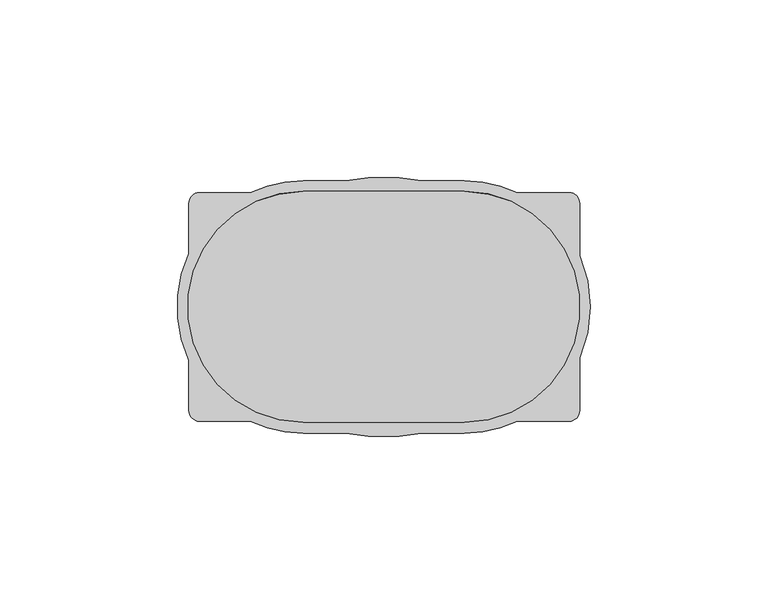
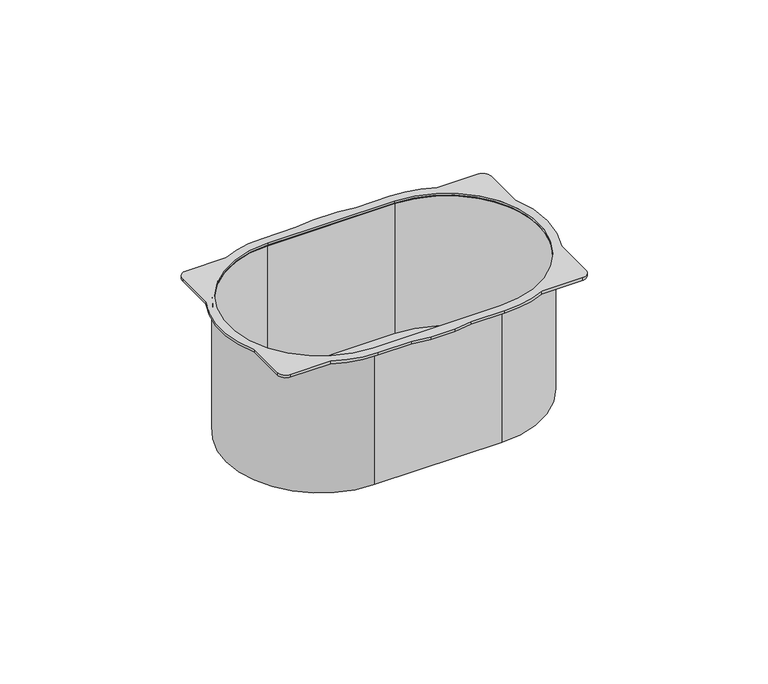
"""IFC4 building model written with IfcOpenShell, lengths in millimetres: proxy geometry."""

from ifc_helpers import new_model, si_unit, point, frame, frame_2d, origin, origin_with_axes, place, context, project, spatial, polyline, circle_curve, trimmed, segment, composite_curve, outline, extrude, source, transform, mapped, element, save


def electrical_fixtures_48d2f998(model_context):
    return source(origin(), model_context, "Body", "SweptSolid", [
        extrude(outline(composite_curve([segment(polyline([(-22.8125, 32.5), (22.5286864, 32.5)]), True, "CONTINUOUS"), segment(trimmed(circle_curve(frame_2d((22.5286864, 0.0)), 32.5), [point((22.5286864, 32.5))], [point((22.5286864, -32.5))], False, "CARTESIAN"), True, "CONTINUOUS"), segment(polyline([(22.5286864, -32.5), (-22.8125, -32.5)]), True, "CONTINUOUS"), segment(trimmed(circle_curve(frame_2d((-22.8125, 0.0)), 32.5), [point((-22.8125, -32.5))], [point((-22.8125, 32.5))], False, "CARTESIAN"), True, "CONTINUOUS")], self_intersect=False)), frame((0.0, 0.0, -50.0), z_axis=(0.0, 0.0, 1.0), x_axis=(1.0, 0.0, 0.0)), (0.0, 0.0, 1.0), 1.0),
        extrude(outline(composite_curve([segment(polyline([(-22.8125, 33.5), (22.5286864, 33.5)]), True, "CONTINUOUS"), segment(trimmed(circle_curve(frame_2d((22.5286864, 0.0)), 33.5), [point((22.5286864, 33.5))], [point((22.5286864, -33.5))], False, "CARTESIAN"), True, "CONTINUOUS"), segment(polyline([(22.5286864, -33.5), (-22.8125, -33.5)]), True, "CONTINUOUS"), segment(trimmed(circle_curve(frame_2d((-22.8125, 0.0)), 33.5), [point((-22.8125, -33.5))], [point((-22.8125, 33.5))], False, "CARTESIAN"), True, "CONTINUOUS")], self_intersect=False), holes=[composite_curve([segment(trimmed(circle_curve(frame_2d((-22.8125, 0.0)), 32.5), [point((-22.8125, 32.5))], [point((-22.8125, -32.5))], True, "CARTESIAN"), True, "CONTINUOUS"), segment(polyline([(-22.8125, -32.5), (22.5286864, -32.5)]), True, "CONTINUOUS"), segment(trimmed(circle_curve(frame_2d((22.5286864, 0.0)), 32.5), [point((22.5286864, -32.5))], [point((22.5286864, 32.5))], True, "CARTESIAN"), True, "CONTINUOUS"), segment(polyline([(22.5286864, 32.5), (-22.8125, 32.5)]), True, "CONTINUOUS")], self_intersect=False)]), frame((0.0, 0.0, -50.0), z_axis=(0.0, 0.0, 1.0), x_axis=(1.0, 0.0, 0.0)), (0.0, 0.0, 1.0), 50.0),
        extrude(outline(composite_curve([segment(polyline([(55.0, -14.3479544), (55.0, -29.1875)]), True, "CONTINUOUS"), segment(trimmed(circle_curve(frame_2d((52.0, -29.1875)), 3.0), [point((55.0, -29.1875))], [point((52.0, -32.1875))], False, "CARTESIAN"), True, "CONTINUOUS"), segment(polyline([(52.0, -32.1875), (37.5024917, -32.1875)]), True, "CONTINUOUS"), segment(trimmed(circle_curve(frame_2d((22.5286864, 0.0)), 35.5), [point((37.5024917, -32.1875))], [point((22.5286864, -35.5))], False, "CARTESIAN"), True, "CONTINUOUS"), segment(polyline([(22.5286864, -35.5), (10.5456622, -35.5), (4.205714, -36.4), (-4.4908104, -36.4), (-10.8307585, -35.5), (-22.8125, -35.5)]), True, "CONTINUOUS"), segment(trimmed(circle_curve(frame_2d((-22.8125, 0.0)), 35.5), [point((-22.8125, -35.5))], [point((-37.7863053, -32.1875))], False, "CARTESIAN"), True, "CONTINUOUS"), segment(polyline([(-37.7863053, -32.1875), (-52.0, -32.1875)]), True, "CONTINUOUS"), segment(trimmed(circle_curve(frame_2d((-52.0, -29.1875)), 3.0), [point((-52.0, -32.1875))], [point((-55.0, -29.1875))], False, "CARTESIAN"), True, "CONTINUOUS"), segment(polyline([(-55.0, -29.1875), (-55.0, -14.9738053)]), True, "CONTINUOUS"), segment(trimmed(circle_curve(frame_2d((-22.8125, 0.0)), 35.5), [point((-55.0, -14.9738053))], [point((-55.0, 14.9738053))], False, "CARTESIAN"), True, "CONTINUOUS"), segment(polyline([(-55.0, 14.9738053), (-55.0, 29.1875)]), True, "CONTINUOUS"), segment(trimmed(circle_curve(frame_2d((-52.0, 29.1875)), 3.0), [point((-55.0, 29.1875))], [point((-52.0, 32.1875))], False, "CARTESIAN"), True, "CONTINUOUS"), segment(polyline([(-52.0, 32.1875), (-37.7863053, 32.1875)]), True, "CONTINUOUS"), segment(trimmed(circle_curve(frame_2d((-22.8125, 0.0)), 35.5), [point((-37.7863053, 32.1875))], [point((-22.8125, 35.5))], False, "CARTESIAN"), True, "CONTINUOUS"), segment(polyline([(-22.8125, 35.5), (-10.8307585, 35.5), (-4.4908104, 36.4), (4.205714, 36.4), (10.5456622, 35.5), (22.5286864, 35.5)]), True, "CONTINUOUS"), segment(trimmed(circle_curve(frame_2d((22.5286864, 0.0)), 35.5), [point((22.5286864, 35.5))], [point((37.5024917, 32.1875))], False, "CARTESIAN"), True, "CONTINUOUS"), segment(polyline([(37.5024917, 32.1875), (52.0, 32.1875)]), True, "CONTINUOUS"), segment(trimmed(circle_curve(frame_2d((52.0, 29.1875)), 3.0), [point((52.0, 32.1875))], [point((55.0, 29.1875))], False, "CARTESIAN"), True, "CONTINUOUS"), segment(polyline([(55.0, 29.1875), (55.0, 14.3479544)]), True, "CONTINUOUS"), segment(trimmed(circle_curve(frame_2d((22.5286864, 0.0)), 35.5), [point((55.0, 14.3479544))], [point((55.0, -14.3479544))], False, "CARTESIAN"), True, "CONTINUOUS")], self_intersect=False), holes=[composite_curve([segment(polyline([(22.5286864, 32.5), (-22.8125, 32.5)]), True, "CONTINUOUS"), segment(trimmed(circle_curve(frame_2d((-22.8125, 0.0)), 32.5), [point((-22.8125, 32.5))], [point((-22.8125, -32.5))], True, "CARTESIAN"), True, "CONTINUOUS"), segment(polyline([(-22.8125, -32.5), (22.5286864, -32.5)]), True, "CONTINUOUS"), segment(trimmed(circle_curve(frame_2d((22.5286864, 0.0)), 32.5), [point((22.5286864, -32.5))], [point((22.5286864, 32.5))], True, "CARTESIAN"), True, "CONTINUOUS")], self_intersect=False)]), origin_with_axes(), (0.0, 0.0, 1.0), 1.0),
    ])


if __name__ == "__main__":
    model = new_model("IFC4")
    model_context = context("Model", 3, world=origin())
    ifc_project = project(units=[si_unit("LENGTHUNIT", "METRE", prefix="MILLI")], contexts=[model_context])
    site = spatial("IfcSite", under=ifc_project)
    building = spatial("IfcBuilding", under=site)
    placement = place(None, origin())
    electrical_fixtures_shape = electrical_fixtures_48d2f998(model_context)
    element("IfcBuildingElementProxy", 1, Name="Electrical Fixtures", at=placement, inside=building, context=model_context, shape_type="MappedRepresentation", body=[
        mapped(electrical_fixtures_shape, transform((0.0, 0.0, 0.0), x_axis=(1.0, 0.0, 0.0), y_axis=(0.0, 1.0, 0.0), z_axis=(0.0, 0.0, 1.0))),
    ])
    save(model, "model.ifc")
